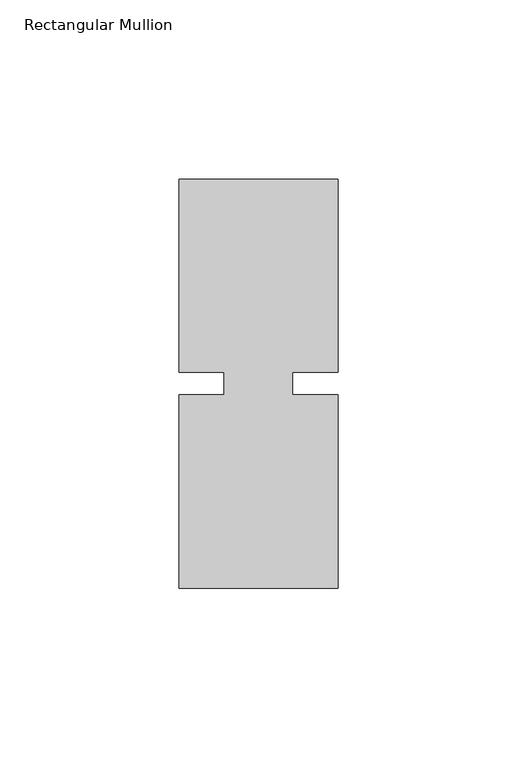
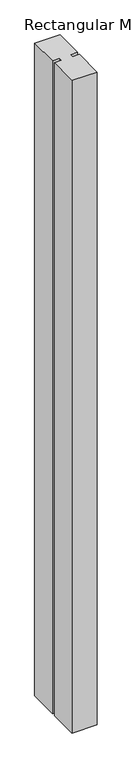
"""IFC4 building model written with IfcOpenShell, lengths in millimetres: member geometry, Rectangular Mullion."""

from ifc_helpers import new_model, si_unit, frame, origin, place, context, project, spatial, polyline, outline, extrude, source, transform, mapped, element, save


def rectangular_mullion_034faee6(model_context):
    return source(origin(), model_context, "Body", "SweptSolid", [
        extrude(outline(polyline([(26.5594027, 57.15), (26.5594027, 3.175), (13.8576322, 3.175), (13.8576322, -3.175), (26.5594027, -3.175), (26.5594027, -57.15), (-17.8905973, -57.15), (-17.8905973, -3.175), (-5.1905973, -3.175), (-5.1905973, 3.175), (-17.8905973, 3.175), (-17.8905973, 57.15), (26.5594027, 57.15)])), frame((0.0, 0.0, -1219.2), z_axis=(0.0, 0.0, 1.0), x_axis=(1.0, 0.0, 0.0)), (0.0, 0.0, 1.0), 1219.2),
    ])


if __name__ == "__main__":
    model = new_model("IFC4")
    model_context = context("Model", 3, world=origin())
    ifc_project = project(units=[si_unit("LENGTHUNIT", "METRE", prefix="MILLI")], contexts=[model_context])
    site = spatial("IfcSite", under=ifc_project)
    building = spatial("IfcBuilding", under=site)
    placement = place(None, origin())
    rectangular_mullion_shape = rectangular_mullion_034faee6(model_context)
    element("IfcMember", 1, ObjectType="Rectangular Mullion", at=placement, inside=building, context=model_context, shape_type="MappedRepresentation", body=[
        mapped(rectangular_mullion_shape, transform((0.0, 0.0, 0.0), x_axis=(1.0, 0.0, 0.0), y_axis=(0.0, 1.0, 0.0), z_axis=(0.0, 0.0, 1.0))),
    ])
    save(model, "model.ifc")
